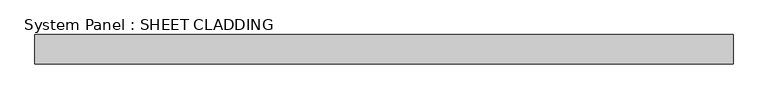
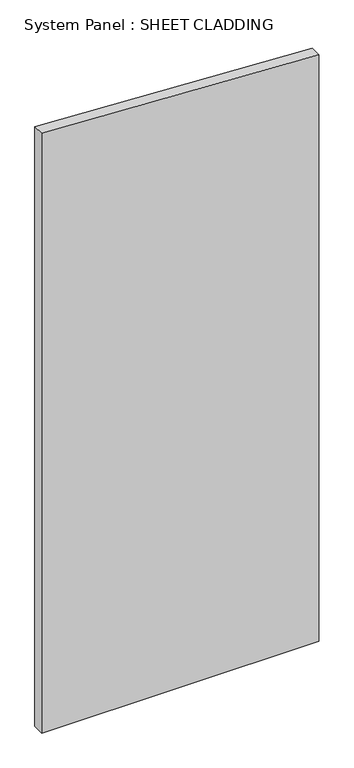
"""IFC4 building model written with IfcOpenShell, lengths in millimetres: plate geometry, System Panel : SHEET CLADDING."""

from ifc_helpers import new_model, si_unit, frame, origin, place, context, project, spatial, polyline, outline, extrude, source, transform, mapped, element, save


def system_panel_sheet_cladding_9d891fc6(model_context):
    return source(origin(), model_context, "Body", "SweptSolid", [
        extrude(outline(polyline([(0.0, -718.75), (0.0, 718.75), (3216.35, 718.75), (3288.225, -718.75), (0.0, -718.75)])), frame((0.0, -49.5, 0.0), z_axis=(0.0, 1.0, 0.0), x_axis=(0.0, 0.0, 1.0)), (0.0, 0.0, 1.0), 60.0),
    ])


if __name__ == "__main__":
    model = new_model("IFC4")
    model_context = context("Model", 3, world=origin())
    ifc_project = project(units=[si_unit("LENGTHUNIT", "METRE", prefix="MILLI")], contexts=[model_context])
    site = spatial("IfcSite", under=ifc_project)
    building = spatial("IfcBuilding", under=site)
    placement = place(None, origin())
    system_panel_sheet_cladding_shape = system_panel_sheet_cladding_9d891fc6(model_context)
    element("IfcPlate", 1, ObjectType="System Panel : SHEET CLADDING", at=placement, inside=building, context=model_context, shape_type="MappedRepresentation", body=[
        mapped(system_panel_sheet_cladding_shape, transform((0.0, 0.0, 0.0), x_axis=(1.0, 0.0, 0.0), y_axis=(0.0, 1.0, 0.0), z_axis=(0.0, 0.0, 1.0))),
    ])
    save(model, "model.ifc")
